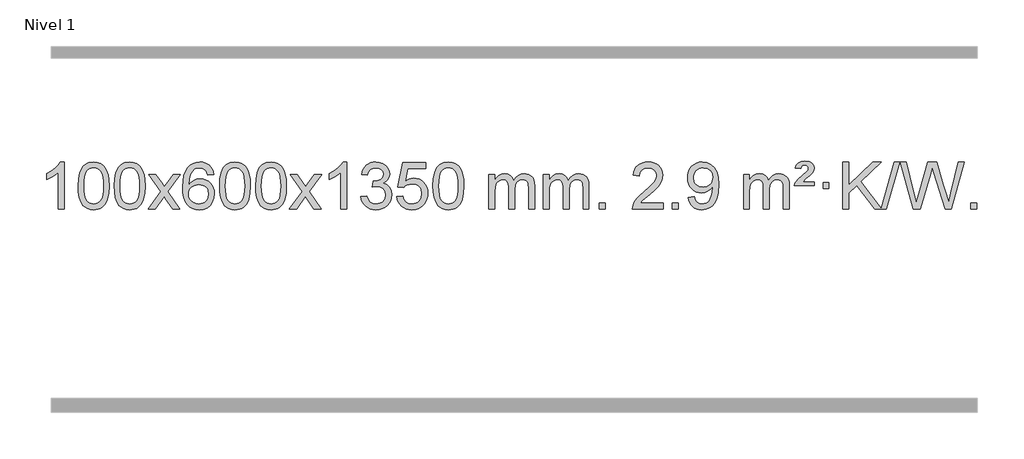
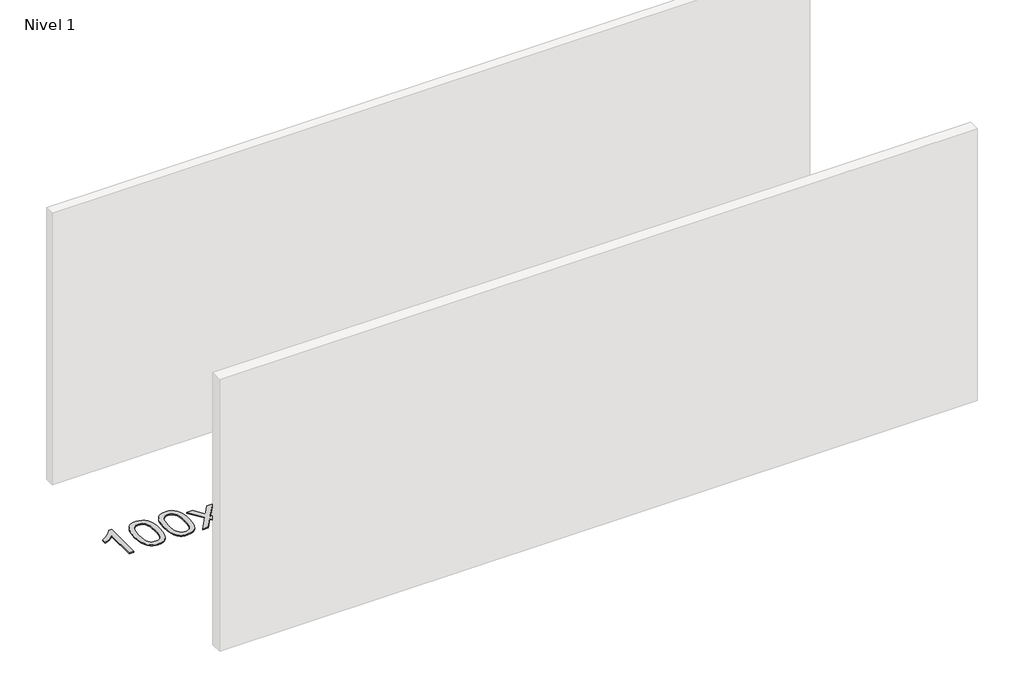
# One storey, part 6 of 10: 1 proxy.
"""IFC4 building model written with IfcOpenShell, lengths in millimetres."""

from ifc_helpers import new_model, si_unit, origin, origin_with_axes, place, context, project, spatial, polyline, outline, extrude, element, save

model = new_model("IFC4")

# Units and contexts
model_context = context("Model", 3, world=origin())
ifc_project = project(units=[si_unit("LENGTHUNIT", "METRE", prefix="MILLI")], contexts=[model_context])

# Site, building, storey
site = spatial("IfcSite", under=ifc_project)
building = spatial("IfcBuilding", under=site)
storey = spatial("IfcBuildingStorey", under=building, Name="Nivel 1", Elevation=0.0)

# Proxy
placement = place(None, origin())
element("IfcBuildingElementProxy", 1, Name="Texto de modelo 1", ObjectType="Texto de modelo 1", at=placement, inside=storey, context=model_context, shape_type="SweptSolid", body=[
    extrude(outline(polyline([(-6421.6378538, -9399.579453), (-6471.8660089, -9399.579453), (-6471.8660089, -9086.4382987), (-6492.8352826, -9103.3976587), (-6519.4454136, -9120.3324932), (-6572.3223191, -9145.6918254), (-6572.3223191, -9098.2105225), (-6532.8731065, -9076.7507395), (-6498.6968691, -9051.219729), (-6471.7556443, -9024.0700378), (-6454.0114694, -8997.7542124), (-6421.6378538, -8997.7542124), (-6421.6378538, -9399.579453)])), origin_with_axes(), (0.0, 0.0, 1.0), 10.0),
    extrude(outline(polyline([(-6302.3459855, -9201.9041943), (-6298.6549029, -9137.5861588), (-6287.5816548, -9086.2911459), (-6269.236606, -9047.2343407), (-6257.378543, -9032.0009605), (-6243.730121, -9019.6309284), (-6228.2453547, -9010.0598651), (-6210.8782588, -9003.2233914), (-6170.4970785, -8997.7542124), (-6139.5459399, -9000.991574), (-6111.832163, -9010.7036586), (-6088.6555973, -9026.5103217), (-6071.3160926, -9048.0314184), (-6058.2194935, -9075.0830078), (-6047.7716449, -9107.4811488), (-6040.9290398, -9148.6226186), (-6038.6481714, -9201.9041943), (-6042.3024659, -9265.8543477), (-6053.2653493, -9317.0267333), (-6071.5000336, -9356.1203266), (-6083.3305054, -9371.3996922), (-6096.9697304, -9383.8341036), (-6112.4728908, -9393.4695462), (-6129.8951689, -9400.3520052), (-6170.4970785, -9405.8579724), (-6198.1618045, -9403.4667394), (-6222.6872709, -9396.2930405), (-6244.0734775, -9384.3368757), (-6262.3204245, -9367.5982449), (-6279.8316074, -9337.3399508), (-6292.3395953, -9299.6381776), (-6299.844388, -9254.4929255), (-6302.3459855, -9201.9041943)]), holes=[polyline([(-6252.1178305, -9201.8060924), (-6250.6463025, -9245.4706195), (-6246.2317185, -9280.8148822), (-6238.8740786, -9307.8388804), (-6228.5733828, -9326.5426142), (-6216.1144459, -9339.2682656), (-6202.2820829, -9348.3580165), (-6187.0762937, -9353.8118671), (-6170.4970785, -9355.6298173), (-6153.9178632, -9353.8057357), (-6138.7120741, -9348.3334911), (-6124.8797111, -9339.2130833), (-6112.4207742, -9326.4445124), (-6102.1200783, -9307.7101217), (-6094.7624384, -9280.6922549), (-6090.3478545, -9245.3909118), (-6088.8763265, -9201.8060924), (-6090.2988035, -9159.2973278), (-6094.5662347, -9124.5753989), (-6101.6786199, -9097.6403055), (-6111.6359592, -9078.4920476), (-6123.8864297, -9065.1440625), (-6137.8782082, -9055.6097875), (-6153.6112949, -9049.8892225), (-6171.0856897, -9047.9823675), (-6187.5790658, -9049.6623619), (-6202.5273375, -9054.7023452), (-6215.9305049, -9063.1023175), (-6227.7885679, -9074.8622786), (-6238.4326203, -9095.708925), (-6246.0355148, -9123.8151094), (-6250.5972516, -9159.1808319), (-6252.1178305, -9201.8060924)])]), origin_with_axes(), (0.0, 0.0, 1.0), 10.0),
    extrude(outline(polyline([(-5994.6985357, -9201.9041943), (-5991.007453, -9137.5861588), (-5979.934205, -9086.2911459), (-5961.5891561, -9047.2343407), (-5949.7310932, -9032.0009605), (-5936.0826711, -9019.6309284), (-5920.5979048, -9010.0598651), (-5903.230809, -9003.2233914), (-5862.8496286, -8997.7542124), (-5831.8984901, -9000.991574), (-5804.1847131, -9010.7036586), (-5781.0081474, -9026.5103217), (-5763.6686427, -9048.0314184), (-5750.5720437, -9075.0830078), (-5740.1241951, -9107.4811488), (-5733.2815899, -9148.6226186), (-5731.0007216, -9201.9041943), (-5734.6550161, -9265.8543477), (-5745.6178995, -9317.0267333), (-5763.8525837, -9356.1203266), (-5775.6830556, -9371.3996922), (-5789.3222805, -9383.8341036), (-5804.825441, -9393.4695462), (-5822.2477191, -9400.3520052), (-5862.8496286, -9405.8579724), (-5890.5143547, -9403.4667394), (-5915.039821, -9396.2930405), (-5936.4260277, -9384.3368757), (-5954.6729746, -9367.5982449), (-5972.1841576, -9337.3399508), (-5984.6921454, -9299.6381776), (-5992.1969381, -9254.4929255), (-5994.6985357, -9201.9041943)]), holes=[polyline([(-5944.4703806, -9201.8060924), (-5942.9988527, -9245.4706195), (-5938.5842687, -9280.8148822), (-5931.2266288, -9307.8388804), (-5920.9259329, -9326.5426142), (-5908.466996, -9339.2682656), (-5894.634633, -9348.3580165), (-5879.4288439, -9353.8118671), (-5862.8496286, -9355.6298173), (-5846.2704134, -9353.8057357), (-5831.0646243, -9348.3334911), (-5817.2322612, -9339.2130833), (-5804.7733243, -9326.4445124), (-5794.4726285, -9307.7101217), (-5787.1149886, -9280.6922549), (-5782.7004046, -9245.3909118), (-5781.2288766, -9201.8060924), (-5782.6513537, -9159.2973278), (-5786.9187848, -9124.5753989), (-5794.0311701, -9097.6403055), (-5803.9885094, -9078.4920476), (-5816.2389799, -9065.1440625), (-5830.2307584, -9055.6097875), (-5845.9638451, -9049.8892225), (-5863.4382398, -9047.9823675), (-5879.931616, -9049.6623619), (-5894.8798877, -9054.7023452), (-5908.283055, -9063.1023175), (-5920.141118, -9074.8622786), (-5930.7851704, -9095.708925), (-5938.388065, -9123.8151094), (-5942.9498017, -9159.1808319), (-5944.4703806, -9201.8060924)])]), origin_with_axes(), (0.0, 0.0, 1.0), 10.0),
    extrude(outline(polyline([(-5705.886644, -9399.579453), (-5598.5632033, -9251.2494325), (-5699.6081246, -9104.4890419), (-5639.1773756, -9104.4890419), (-5590.4207485, -9175.122385), (-5567.6611157, -9208.4770192), (-5547.9426408, -9181.2047007), (-5492.416985, -9104.4890419), (-5431.9862359, -9104.4890419), (-5538.1324542, -9251.2494325), (-5435.9103105, -9399.579453), (-5496.3410596, -9399.579453), (-5557.8509292, -9310.4048574), (-5569.1326437, -9294.1199477), (-5645.455895, -9399.579453), (-5705.886644, -9399.579453)])), origin_with_axes(), (0.0, 0.0, 1.0), 10.0),
    extrude(outline(polyline([(-5147.0984188, -9104.4890419), (-5197.3265739, -9110.7675613), (-5205.4199778, -9085.874213), (-5216.3583358, -9068.8780648), (-5239.142494, -9053.2062918), (-5266.6845927, -9047.9823675), (-5290.0328367, -9051.0235253), (-5312.0076545, -9060.1469988), (-5330.8800009, -9079.3627017), (-5346.2942565, -9105.8134171), (-5356.7053169, -9143.227016), (-5360.5680779, -9195.3313693), (-5340.4204073, -9171.8237098), (-5316.2750857, -9155.2567573), (-5289.4810137, -9145.434308), (-5261.387092, -9142.1601582), (-5237.2540331, -9144.398107), (-5214.9849097, -9151.1119534), (-5194.5797217, -9162.3016975), (-5176.0384691, -9177.9673391), (-5160.6303449, -9197.1769106), (-5149.6245419, -9218.9984443), (-5143.02106, -9243.4319401), (-5140.8198994, -9270.4773982), (-5144.9647033, -9306.4439945), (-5157.3991147, -9339.786366), (-5177.0930642, -9368.0642287), (-5203.0164821, -9388.8372987), (-5233.9921461, -9401.602804), (-5268.8428338, -9405.8579724), (-5298.7853625, -9403.0375437), (-5325.8277548, -9394.5762579), (-5349.9700107, -9380.4741147), (-5371.2121303, -9360.7311143), (-5388.5301752, -9334.5133908), (-5400.9002073, -9300.9870783), (-5408.3222266, -9260.1521768), (-5410.796233, -9212.0086864), (-5408.0493807, -9158.0342663), (-5399.808824, -9111.9693092), (-5386.0745629, -9073.8138149), (-5366.8465973, -9043.5677835), (-5346.0060823, -9023.5243462), (-5321.8423665, -9009.2076052), (-5294.3554501, -9000.6175606), (-5263.545333, -8997.7542124), (-5240.4116869, -8999.5261773), (-5219.47307, -9004.8420722), (-5200.7294824, -9013.7018969), (-5184.1809239, -9026.1056515), (-5170.2749845, -9041.6364031), (-5159.4592539, -9059.8772186), (-5151.733732, -9080.8280983), (-5147.0984188, -9104.4890419)]), holes=[polyline([(-5360.5680779, -9269.6925832), (-5357.6618101, -9291.9494439), (-5348.9430068, -9313.2007605), (-5335.4049494, -9331.472233), (-5318.0409193, -9344.7895612), (-5297.0839083, -9352.9197533), (-5272.7669084, -9355.6298173), (-5239.6207406, -9350.0134855), (-5225.7056041, -9342.9930708), (-5213.5624326, -9333.1644901), (-5203.7123922, -9320.9262824), (-5196.676649, -9306.6769865), (-5191.0480545, -9272.1451299), (-5196.6030726, -9238.9989621), (-5203.5468453, -9225.3781312), (-5213.268127, -9213.725469), (-5225.4480867, -9204.3904634), (-5239.7678934, -9197.7226022), (-5274.8270476, -9192.3883133), (-5307.9241644, -9197.7226022), (-5335.6011532, -9213.725469), (-5346.5241827, -9225.2248471), (-5354.3263467, -9238.3858254), (-5359.0076451, -9253.2084042), (-5360.5680779, -9269.6925832)])]), origin_with_axes(), (0.0, 0.0, 1.0), 10.0),
    extrude(outline(polyline([(-5096.8702638, -9201.9041943), (-5093.1791811, -9137.5861588), (-5082.105933, -9086.2911459), (-5063.7608842, -9047.2343407), (-5051.9028212, -9032.0009605), (-5038.2543992, -9019.6309284), (-5022.7696329, -9010.0598651), (-5005.402537, -9003.2233914), (-4965.0213567, -8997.7542124), (-4934.0702182, -9000.991574), (-4906.3564412, -9010.7036586), (-4883.1798755, -9026.5103217), (-4865.8403708, -9048.0314184), (-4852.7437718, -9075.0830078), (-4842.2959231, -9107.4811488), (-4835.453318, -9148.6226186), (-4833.1724496, -9201.9041943), (-4836.8267441, -9265.8543477), (-4847.7896275, -9317.0267333), (-4866.0243118, -9356.1203266), (-4877.8547836, -9371.3996922), (-4891.4940086, -9383.8341036), (-4906.997169, -9393.4695462), (-4924.4194471, -9400.3520052), (-4965.0213567, -9405.8579724), (-4992.6860827, -9403.4667394), (-5017.2115491, -9396.2930405), (-5038.5977557, -9384.3368757), (-5056.8447027, -9367.5982449), (-5074.3558856, -9337.3399508), (-5086.8638735, -9299.6381776), (-5094.3686662, -9254.4929255), (-5096.8702638, -9201.9041943)]), holes=[polyline([(-5046.6421087, -9201.8060924), (-5045.1705807, -9245.4706195), (-5040.7559968, -9280.8148822), (-5033.3983568, -9307.8388804), (-5023.097661, -9326.5426142), (-5010.6387241, -9339.2682656), (-4996.8063611, -9348.3580165), (-4981.6005719, -9353.8118671), (-4965.0213567, -9355.6298173), (-4948.4421414, -9353.8057357), (-4933.2363523, -9348.3334911), (-4919.4039893, -9339.2130833), (-4906.9450524, -9326.4445124), (-4896.6443565, -9307.7101217), (-4889.2867166, -9280.6922549), (-4884.8721327, -9245.3909118), (-4883.4006047, -9201.8060924), (-4884.8230817, -9159.2973278), (-4889.0905129, -9124.5753989), (-4896.2028981, -9097.6403055), (-4906.1602375, -9078.4920476), (-4918.4107079, -9065.1440625), (-4932.4024864, -9055.6097875), (-4948.1355731, -9049.8892225), (-4965.6099679, -9047.9823675), (-4982.103344, -9049.6623619), (-4997.0516157, -9054.7023452), (-5010.4547831, -9063.1023175), (-5022.3128461, -9074.8622786), (-5032.9568985, -9095.708925), (-5040.559793, -9123.8151094), (-5045.1215298, -9159.1808319), (-5046.6421087, -9201.8060924)])]), origin_with_axes(), (0.0, 0.0, 1.0), 10.0),
    extrude(outline(polyline([(-4789.2228139, -9201.9041943), (-4785.5317312, -9137.5861588), (-4774.4584832, -9086.2911459), (-4756.1134344, -9047.2343407), (-4744.2553714, -9032.0009605), (-4730.6069494, -9019.6309284), (-4715.122183, -9010.0598651), (-4697.7550872, -9003.2233914), (-4657.3739068, -8997.7542124), (-4626.4227683, -9000.991574), (-4598.7089913, -9010.7036586), (-4575.5324257, -9026.5103217), (-4558.1929209, -9048.0314184), (-4545.0963219, -9075.0830078), (-4534.6484733, -9107.4811488), (-4527.8058681, -9148.6226186), (-4525.5249998, -9201.9041943), (-4529.1792943, -9265.8543477), (-4540.1421777, -9317.0267333), (-4558.3768619, -9356.1203266), (-4570.2073338, -9371.3996922), (-4583.8465587, -9383.8341036), (-4599.3497192, -9393.4695462), (-4616.7719973, -9400.3520052), (-4657.3739068, -9405.8579724), (-4685.0386329, -9403.4667394), (-4709.5640992, -9396.2930405), (-4730.9503059, -9384.3368757), (-4749.1972528, -9367.5982449), (-4766.7084358, -9337.3399508), (-4779.2164236, -9299.6381776), (-4786.7212164, -9254.4929255), (-4789.2228139, -9201.9041943)]), holes=[polyline([(-4738.9946588, -9201.8060924), (-4737.5231309, -9245.4706195), (-4733.1085469, -9280.8148822), (-4725.750907, -9307.8388804), (-4715.4502112, -9326.5426142), (-4702.9912742, -9339.2682656), (-4689.1589112, -9348.3580165), (-4673.9531221, -9353.8118671), (-4657.3739068, -9355.6298173), (-4640.7946916, -9353.8057357), (-4625.5889025, -9348.3334911), (-4611.7565394, -9339.2130833), (-4599.2976025, -9326.4445124), (-4588.9969067, -9307.7101217), (-4581.6392668, -9280.6922549), (-4577.2246828, -9245.3909118), (-4575.7531548, -9201.8060924), (-4577.1756319, -9159.2973278), (-4581.443063, -9124.5753989), (-4588.5554483, -9097.6403055), (-4598.5127876, -9078.4920476), (-4610.7632581, -9065.1440625), (-4624.7550366, -9055.6097875), (-4640.4881233, -9049.8892225), (-4657.962518, -9047.9823675), (-4674.4558942, -9049.6623619), (-4689.4041659, -9054.7023452), (-4702.8073333, -9063.1023175), (-4714.6653962, -9074.8622786), (-4725.3094486, -9095.708925), (-4732.9123432, -9123.8151094), (-4737.4740799, -9159.1808319), (-4738.9946588, -9201.8060924)])]), origin_with_axes(), (0.0, 0.0, 1.0), 10.0),
    extrude(outline(polyline([(-4500.4109222, -9399.579453), (-4393.0874815, -9251.2494325), (-4494.1324029, -9104.4890419), (-4433.7016538, -9104.4890419), (-4384.9450267, -9175.122385), (-4362.1853939, -9208.4770192), (-4342.466919, -9181.2047007), (-4286.9412632, -9104.4890419), (-4226.5105141, -9104.4890419), (-4332.6567324, -9251.2494325), (-4230.4345887, -9399.579453), (-4290.8653378, -9399.579453), (-4352.3752074, -9310.4048574), (-4363.6569219, -9294.1199477), (-4439.9801732, -9399.579453), (-4500.4109222, -9399.579453)])), origin_with_axes(), (0.0, 0.0, 1.0), 10.0),
    extrude(outline(polyline([(-4010.6864103, -9399.579453), (-4060.9145653, -9399.579453), (-4060.9145653, -9086.4382987), (-4081.8838391, -9103.3976587), (-4108.49397, -9120.3324932), (-4161.3708755, -9145.6918254), (-4161.3708755, -9098.2105225), (-4121.9216629, -9076.7507395), (-4087.7454255, -9051.219729), (-4060.8042007, -9024.0700378), (-4043.0600258, -8997.7542124), (-4010.6864103, -8997.7542124), (-4010.6864103, -9399.579453)])), origin_with_axes(), (0.0, 0.0, 1.0), 10.0),
    extrude(outline(polyline([(-3891.394542, -9292.8446235), (-3841.1663869, -9286.5661041), (-3829.9214606, -9318.1303793), (-3813.4526099, -9339.4430095), (-3790.9504945, -9351.5831154), (-3761.6057741, -9355.6298173), (-3727.1720193, -9350.0625364), (-3712.8981979, -9343.1034354), (-3700.5864138, -9333.3606939), (-3683.5902656, -9308.4428201), (-3677.9248829, -9278.2274455), (-3683.5412147, -9249.5449126), (-3700.3902101, -9226.2825078), (-3725.8966951, -9210.8682522), (-3757.4854957, -9205.730167), (-3792.7040654, -9211.2238715), (-3787.1122591, -9160.9957164), (-3779.0679061, -9161.5843276), (-3748.9751589, -9157.979084), (-3722.0707223, -9147.1633534), (-3710.9974743, -9138.9841103), (-3703.0880114, -9128.8673555), (-3698.3423336, -9116.8130888), (-3696.760441, -9102.8213102), (-3701.3467032, -9081.1285352), (-3715.1054899, -9063.5315131), (-3736.0992891, -9051.8696539), (-3762.390589, -9047.9823675), (-3788.7309398, -9051.9064421), (-3810.2642993, -9063.6786659), (-3825.9851232, -9083.299039), (-3834.8878675, -9110.7675613), (-3885.1160226, -9104.4890419), (-3879.1624656, -9080.5092672), (-3870.3271664, -9059.3867093), (-3858.6101248, -9041.1213683), (-3844.011341, -9025.713244), (-3826.9906673, -9013.4811677), (-3808.0079564, -9004.7439703), (-3787.0632081, -8999.5016519), (-3764.1564226, -8997.7542124), (-3732.5798846, -9001.2000404), (-3703.5785207, -9011.5375245), (-3679.1266307, -9027.8469596), (-3661.1985148, -9049.2086408), (-3650.1988432, -9073.8199463), (-3646.532286, -9099.8782543), (-3650.0149022, -9124.1584659), (-3660.4627509, -9146.1823347), (-3677.7286792, -9164.9443165), (-3701.6655343, -9179.4388671), (-3670.2238865, -9192.1430586), (-3646.9246934, -9213.77452), (-3632.5037192, -9243.1560286), (-3627.6967278, -9279.1103623), (-3630.1002235, -9304.5923218), (-3637.3107106, -9328.0631931), (-3649.3281891, -9349.5229762), (-3666.152659, -9368.971671), (-3686.6498175, -9385.1094278), (-3709.6853618, -9396.636397), (-3735.2592918, -9403.5525785), (-3763.3716076, -9405.8579724), (-3788.7799908, -9403.8898037), (-3811.932031, -9397.9852977), (-3832.8277283, -9388.1444543), (-3851.4670827, -9374.3672736), (-3867.0959362, -9357.4630959), (-3878.9601305, -9338.2412617), (-3887.0596658, -9316.7017708), (-3891.394542, -9292.8446235)])), origin_with_axes(), (0.0, 0.0, 1.0), 10.0),
    extrude(outline(polyline([(-3583.7470921, -9292.8446235), (-3533.518937, -9286.5661041), (-3524.2973617, -9316.7201649), (-3508.2086558, -9338.3148381), (-3485.3263957, -9351.3010725), (-3455.7241578, -9355.6298173), (-3436.5942941, -9354.1245668), (-3419.7207732, -9349.6088153), (-3405.1035953, -9342.0825628), (-3392.7427602, -9331.5458094), (-3382.9141796, -9318.519721), (-3375.8937648, -9303.5254641), (-3370.2774331, -9267.6324441), (-3375.5381456, -9233.8363514), (-3382.1140362, -9219.9181493), (-3391.3202832, -9207.9865099), (-3403.1875432, -9198.4154467), (-3417.7464732, -9191.5789729), (-3454.9393429, -9186.1097939), (-3479.3053937, -9188.2925604), (-3499.0361314, -9194.8408599), (-3514.7937435, -9204.8717757), (-3527.2404177, -9217.5023908), (-3577.4685727, -9211.2238715), (-3533.518937, -9004.0327318), (-3338.8848361, -9004.0327318), (-3338.8848361, -9054.2608869), (-3492.9047648, -9054.2608869), (-3514.3890733, -9164.919791), (-3496.6632925, -9152.2155994), (-3478.508316, -9143.1411769), (-3459.9241439, -9137.6965234), (-3440.9107761, -9135.8816388), (-3416.4496891, -9138.1318504), (-3393.9812963, -9144.882485), (-3373.5055976, -9156.1335427), (-3355.022593, -9171.8850234), (-3339.7217677, -9191.1743027), (-3328.7926067, -9213.038756), (-3322.2351102, -9237.4783832), (-3320.049278, -9264.4931844), (-3322.0174467, -9290.5147042), (-3327.9219527, -9314.7213394), (-3337.762796, -9337.1130902), (-3351.5399768, -9357.6899565), (-3372.4111486, -9378.7634634), (-3396.7649367, -9393.8159684), (-3424.601341, -9402.8474714), (-3455.9203615, -9405.8579724), (-3481.8407138, -9403.9235262), (-3505.2533371, -9398.1201877), (-3526.1582315, -9388.447957), (-3544.5553969, -9374.9068338), (-3559.8623536, -9358.1712688), (-3571.4966217, -9338.915712), (-3579.4582012, -9317.1401636), (-3583.7470921, -9292.8446235)])), origin_with_axes(), (0.0, 0.0, 1.0), 10.0),
    extrude(outline(polyline([(-3276.0996423, -9201.9041943), (-3272.4085596, -9137.5861588), (-3261.3353115, -9086.2911459), (-3242.9902627, -9047.2343407), (-3231.1321997, -9032.0009605), (-3217.4837777, -9019.6309284), (-3201.9990114, -9010.0598651), (-3184.6319156, -9003.2233914), (-3144.2507352, -8997.7542124), (-3113.2995967, -9000.991574), (-3085.5858197, -9010.7036586), (-3062.409254, -9026.5103217), (-3045.0697493, -9048.0314184), (-3031.9731503, -9075.0830078), (-3021.5253016, -9107.4811488), (-3014.6826965, -9148.6226186), (-3012.4018281, -9201.9041943), (-3016.0561226, -9265.8543477), (-3027.0190061, -9317.0267333), (-3045.2536903, -9356.1203266), (-3057.0841621, -9371.3996922), (-3070.7233871, -9383.8341036), (-3086.2265475, -9393.4695462), (-3103.6488257, -9400.3520052), (-3144.2507352, -9405.8579724), (-3171.9154613, -9403.4667394), (-3196.4409276, -9396.2930405), (-3217.8271343, -9384.3368757), (-3236.0740812, -9367.5982449), (-3253.5852642, -9337.3399508), (-3266.093252, -9299.6381776), (-3273.5980447, -9254.4929255), (-3276.0996423, -9201.9041943)]), holes=[polyline([(-3225.8714872, -9201.8060924), (-3224.3999592, -9245.4706195), (-3219.9853753, -9280.8148822), (-3212.6277354, -9307.8388804), (-3202.3270395, -9326.5426142), (-3189.8681026, -9339.2682656), (-3176.0357396, -9348.3580165), (-3160.8299505, -9353.8118671), (-3144.2507352, -9355.6298173), (-3127.67152, -9353.8057357), (-3112.4657308, -9348.3334911), (-3098.6333678, -9339.2130833), (-3086.1744309, -9326.4445124), (-3075.873735, -9307.7101217), (-3068.5160951, -9280.6922549), (-3064.1015112, -9245.3909118), (-3062.6299832, -9201.8060924), (-3064.0524603, -9159.2973278), (-3068.3198914, -9124.5753989), (-3075.4322767, -9097.6403055), (-3085.389616, -9078.4920476), (-3097.6400864, -9065.1440625), (-3111.631865, -9055.6097875), (-3127.3649516, -9049.8892225), (-3144.8393464, -9047.9823675), (-3161.3327225, -9049.6623619), (-3176.2809943, -9054.7023452), (-3189.6841616, -9063.1023175), (-3201.5422246, -9074.8622786), (-3212.186277, -9095.708925), (-3219.7891716, -9123.8151094), (-3224.3509083, -9159.1808319), (-3225.8714872, -9201.8060924)])]), origin_with_axes(), (0.0, 0.0, 1.0), 10.0),
    extrude(outline(polyline([(-2798.9321691, -9399.579453), (-2798.9321691, -9104.4890419), (-2748.704014, -9104.4890419), (-2748.704014, -9153.0494653), (-2733.5963267, -9130.7435537), (-2714.1721574, -9113.2691589), (-2691.0936936, -9101.9751816), (-2665.0231228, -9098.2105225), (-2637.0886167, -9102.048758), (-2614.6968659, -9113.5634645), (-2597.9704978, -9131.9943524), (-2587.0321399, -9156.5811324), (-2568.7238792, -9131.0439906), (-2547.8404446, -9112.803175), (-2524.3818361, -9101.8586857), (-2498.3480536, -9098.2105225), (-2478.2402368, -9099.7280358), (-2460.5910981, -9104.2805755), (-2445.4006374, -9111.8681416), (-2432.6688547, -9122.4907342), (-2422.6042164, -9136.2709806), (-2415.4151891, -9153.3315082), (-2411.1017727, -9173.6723168), (-2409.6639672, -9197.2934066), (-2409.6639672, -9399.579453), (-2459.8921223, -9399.579453), (-2459.8921223, -9218.875817), (-2461.057082, -9193.8230531), (-2464.5519609, -9176.9372695), (-2471.1002604, -9165.3735121), (-2481.4254818, -9156.2868268), (-2494.7060218, -9150.4007149), (-2510.1202774, -9148.4386776), (-2537.3312823, -9153.4663982), (-2559.5145666, -9168.54956), (-2568.1199396, -9180.1194488), (-2574.2666346, -9194.7182326), (-2579.1839906, -9233.0024856), (-2579.1839906, -9399.579453), (-2629.4121457, -9399.579453), (-2629.4121457, -9213.2840106), (-2632.3184135, -9184.8835206), (-2641.0372167, -9164.6254854), (-2656.3778959, -9152.4853796), (-2679.1497914, -9148.4386776), (-2698.5003844, -9151.1364789), (-2716.3303984, -9159.2298828), (-2731.0456782, -9172.5226856), (-2741.0520685, -9190.8186835), (-2746.7910276, -9216.2025411), (-2748.704014, -9250.7589232), (-2748.704014, -9399.579453), (-2798.9321691, -9399.579453)])), origin_with_axes(), (0.0, 0.0, 1.0), 10.0),
    extrude(outline(polyline([(-2334.3217346, -9399.579453), (-2334.3217346, -9104.4890419), (-2284.0935796, -9104.4890419), (-2284.0935796, -9153.0494653), (-2268.9858923, -9130.7435537), (-2249.5617229, -9113.2691589), (-2226.4832591, -9101.9751816), (-2200.4126884, -9098.2105225), (-2172.4781822, -9102.048758), (-2150.0864315, -9113.5634645), (-2133.3600634, -9131.9943524), (-2122.4217054, -9156.5811324), (-2104.1134448, -9131.0439906), (-2083.2300102, -9112.803175), (-2059.7714016, -9101.8586857), (-2033.7376191, -9098.2105225), (-2013.6298024, -9099.7280358), (-1995.9806637, -9104.2805755), (-1980.790203, -9111.8681416), (-1968.0584202, -9122.4907342), (-1957.993782, -9136.2709806), (-1950.8047547, -9153.3315082), (-1946.4913383, -9173.6723168), (-1945.0535328, -9197.2934066), (-1945.0535328, -9399.579453), (-1995.2816879, -9399.579453), (-1995.2816879, -9218.875817), (-1996.4466475, -9193.8230531), (-1999.9415265, -9176.9372695), (-2006.489826, -9165.3735121), (-2016.8150473, -9156.2868268), (-2030.0955874, -9150.4007149), (-2045.509843, -9148.4386776), (-2072.7208479, -9153.4663982), (-2094.9041322, -9168.54956), (-2103.5095052, -9180.1194488), (-2109.6562002, -9194.7182326), (-2114.5735562, -9233.0024856), (-2114.5735562, -9399.579453), (-2164.8017113, -9399.579453), (-2164.8017113, -9213.2840106), (-2167.707979, -9184.8835206), (-2176.4267823, -9164.6254854), (-2191.7674615, -9152.4853796), (-2214.539357, -9148.4386776), (-2233.88995, -9151.1364789), (-2251.719964, -9159.2298828), (-2266.4352438, -9172.5226856), (-2276.4416341, -9190.8186835), (-2282.1805932, -9216.2025411), (-2284.0935796, -9250.7589232), (-2284.0935796, -9399.579453), (-2334.3217346, -9399.579453)])), origin_with_axes(), (0.0, 0.0, 1.0), 10.0),
    extrude(outline(polyline([(-1857.1542614, -9399.579453), (-1857.1542614, -9349.3512979), (-1806.9261064, -9349.3512979), (-1806.9261064, -9399.579453), (-1857.1542614, -9399.579453)])), origin_with_axes(), (0.0, 0.0, 1.0), 10.0),
    extrude(outline(polyline([(-1310.923075, -9349.3512979), (-1310.923075, -9399.579453), (-1574.6208891, -9399.579453), (-1573.5172431, -9381.8965918), (-1569.2252865, -9364.9494945), (-1556.839926, -9337.8856424), (-1538.7156064, -9311.6311307), (-1512.4978829, -9284.1503456), (-1475.8323107, -9253.4076736), (-1421.6310301, -9205.2641831), (-1389.1102617, -9169.7267824), (-1372.8498775, -9140.884834), (-1367.4297494, -9112.8277005), (-1372.5433092, -9087.6768347), (-1387.8839884, -9066.7688747), (-1411.4652243, -9052.6789943), (-1441.3004541, -9047.9823675), (-1472.6317373, -9052.5686297), (-1496.9732627, -9066.3274163), (-1512.6818239, -9088.1796068), (-1518.1142147, -9117.0460807), (-1568.3423697, -9110.7675613), (-1564.022822, -9084.838012), (-1556.1654757, -9062.1826125), (-1544.7703309, -9042.8013627), (-1529.8373876, -9026.6942627), (-1511.7100023, -9014.0329907), (-1490.7315315, -9004.989225), (-1466.9019753, -8999.5629655), (-1440.2213336, -8997.7542124), (-1413.3015686, -8999.7653006), (-1389.3432536, -9005.7985654), (-1368.3463888, -9015.8540066), (-1350.3109739, -9029.9316242), (-1335.8256204, -9046.9890861), (-1325.4789393, -9065.9840598), (-1319.2709306, -9086.9165453), (-1317.2015944, -9109.7865427), (-1319.4334118, -9133.8092369), (-1326.1288641, -9157.4149983), (-1338.0114526, -9181.4254299), (-1355.8046784, -9206.6621347), (-1384.1683802, -9236.7916701), (-1427.7623967, -9275.4805933), (-1485.5443954, -9323.795762), (-1508.2059263, -9349.3512979), (-1310.923075, -9349.3512979)])), origin_with_axes(), (0.0, 0.0, 1.0), 10.0),
    extrude(outline(polyline([(-1235.5808424, -9399.579453), (-1235.5808424, -9349.3512979), (-1185.3526873, -9349.3512979), (-1185.3526873, -9399.579453), (-1235.5808424, -9399.579453)])), origin_with_axes(), (0.0, 0.0, 1.0), 10.0),
    extrude(outline(polyline([(-1097.4534159, -9299.1231428), (-1047.2252608, -9292.8446235), (-1038.6413476, -9321.3554781), (-1024.6618318, -9340.7673847), (-1005.6300699, -9351.9142092), (-981.8894185, -9355.6298173), (-960.589051, -9353.2385843), (-941.2261953, -9346.0648854), (-925.1374894, -9334.8935355), (-913.6595711, -9320.5093495), (-897.2275087, -9276.8540194), (-891.7828551, -9248.4535294), (-889.9679706, -9218.5815114), (-890.2622762, -9208.7713248), (-907.6630946, -9230.0103787), (-930.4349901, -9246.8348486), (-956.9347565, -9257.7977321), (-985.5191875, -9261.4520265), (-1009.3794006, -9259.2202091), (-1031.3204959, -9252.5247568), (-1051.3424735, -9241.3656696), (-1069.4453334, -9225.7429475), (-1084.4457217, -9206.4720624), (-1095.1602848, -9184.3684858), (-1101.5890227, -9159.4322179), (-1103.7319353, -9131.6632586), (-1101.4847895, -9102.968463), (-1094.7433519, -9077.2167234), (-1083.5076226, -9054.4080397), (-1067.7776016, -9034.5424119), (-1048.6630663, -9018.4475746), (-1027.273794, -9006.9512623), (-1003.6097846, -9000.0534749), (-977.6710383, -8997.7542124), (-940.2083884, -9003.0026622), (-906.1057275, -9018.7480116), (-877.5826101, -9044.2054457), (-856.8585911, -9078.5901495), (-844.2402386, -9126.1205032), (-840.0341212, -9191.0148872), (-844.2279759, -9259.821083), (-856.8095401, -9313.0045568), (-877.6684493, -9352.9688042), (-891.1605214, -9368.8950289), (-906.6943387, -9382.117321), (-923.9572013, -9392.503856), (-942.6364096, -9399.9228095), (-984.2438633, -9405.8579724), (-1006.8011609, -9404.1074672), (-1027.1879548, -9398.8559517), (-1045.404245, -9390.1034259), (-1061.4500313, -9377.8498898), (-1074.9206437, -9362.4264372), (-1085.4114119, -9344.1641618), (-1092.922336, -9323.0630637), (-1097.4534159, -9299.1231428)]), holes=[polyline([(-890.2622762, -9130.4860363), (-895.6824043, -9096.444689), (-902.4575644, -9082.3670713), (-911.9427885, -9070.2514909), (-923.6720928, -9060.5087494), (-937.1794934, -9053.5496483), (-969.5285835, -9047.9823675), (-987.1378683, -9049.4814866), (-1003.0794214, -9053.978844), (-1017.3532428, -9061.4744396), (-1029.9593325, -9071.9682736), (-1040.2600284, -9084.8472091), (-1047.6176683, -9099.4981095), (-1052.0322522, -9115.9209749), (-1053.5037802, -9134.1158053), (-1047.9364994, -9165.1527829), (-1040.9773983, -9178.2708417), (-1031.2346568, -9189.7886139), (-1019.112945, -9199.1665391), (-1005.0169333, -9205.8650571), (-970.9020096, -9211.2238715), (-938.8104369, -9205.8650571), (-912.9728581, -9189.7886139), (-903.0369785, -9178.0439812), (-895.9399217, -9164.2453407), (-890.2622762, -9130.4860363)])]), origin_with_axes(), (0.0, 0.0, 1.0), 10.0),
    extrude(outline(polyline([(-626.5644621, -9399.579453), (-626.5644621, -9104.4890419), (-576.336307, -9104.4890419), (-576.336307, -9153.0494653), (-561.2286197, -9130.7435537), (-541.8044504, -9113.2691589), (-518.7259866, -9101.9751816), (-492.6554158, -9098.2105225), (-464.7209097, -9102.048758), (-442.3291589, -9113.5634645), (-425.6027909, -9131.9943524), (-414.6644329, -9156.5811324), (-396.3561722, -9131.0439906), (-375.4727377, -9112.803175), (-352.0141291, -9101.8586857), (-325.9803466, -9098.2105225), (-305.8725298, -9099.7280358), (-288.2233911, -9104.2805755), (-273.0329304, -9111.8681416), (-260.3011477, -9122.4907342), (-250.2365094, -9136.2709806), (-243.0474821, -9153.3315082), (-238.7340657, -9173.6723168), (-237.2962603, -9197.2934066), (-237.2962603, -9399.579453), (-287.5244153, -9399.579453), (-287.5244153, -9218.875817), (-288.689375, -9193.8230531), (-292.1842539, -9176.9372695), (-298.7325535, -9165.3735121), (-309.0577748, -9156.2868268), (-322.3383148, -9150.4007149), (-337.7525704, -9148.4386776), (-364.9635753, -9153.4663982), (-387.1468596, -9168.54956), (-395.7522326, -9180.1194488), (-401.8989276, -9194.7182326), (-406.8162836, -9233.0024856), (-406.8162836, -9399.579453), (-457.0444387, -9399.579453), (-457.0444387, -9213.2840106), (-459.9507065, -9184.8835206), (-468.6695098, -9164.6254854), (-484.010189, -9152.4853796), (-506.7820845, -9148.4386776), (-526.1326774, -9151.1364789), (-543.9626914, -9159.2298828), (-558.6779713, -9172.5226856), (-568.6843615, -9190.8186835), (-574.4233206, -9216.2025411), (-576.336307, -9250.7589232), (-576.336307, -9399.579453), (-626.5644621, -9399.579453)])), origin_with_axes(), (0.0, 0.0, 1.0), 10.0),
    extrude(outline(polyline([(-193.3466246, -9198.6668327), (-189.5206518, -9182.8479069), (-181.1819933, -9166.9799302), (-159.6731593, -9141.8413272), (-127.7164766, -9114.1030247), (-83.5706372, -9076.726214), (-76.4337265, -9065.1992448), (-74.0547563, -9053.3779701), (-75.9432172, -9041.2869152), (-81.6085999, -9031.5012541), (-90.977328, -9025.026531), (-103.9758252, -9022.8682899), (-116.4102366, -9024.4869707), (-125.26393, -9029.343013), (-131.6896022, -9038.8098431), (-136.8399501, -9054.2608869), (-187.0681052, -9047.9823675), (-176.2278491, -9022.7701881), (-159.5995829, -9005.2099542), (-135.834406, -8994.9092583), (-103.5834178, -8991.475693), (-67.8007624, -8995.6082341), (-43.0545668, -9008.0058573), (-28.6335926, -9026.3386434), (-23.8266012, -9048.2766731), (-27.9223541, -9071.1834586), (-40.2096127, -9092.8149199), (-60.737428, -9112.6314968), (-97.2067965, -9140.6886303), (-122.8113834, -9167.2742358), (-23.8266012, -9167.2742358), (-23.8266012, -9198.6668327), (-193.3466246, -9198.6668327)])), origin_with_axes(), (0.0, 0.0, 1.0), 10.0),
    extrude(outline(polyline([(51.5156314, -9223.7809102), (51.5156314, -9173.5527552), (101.7437865, -9173.5527552), (101.7437865, -9223.7809102), (51.5156314, -9223.7809102)])), origin_with_axes(), (0.0, 0.0, 1.0), 10.0),
    extrude(outline(polyline([(492.3854144, -9399.579453), (338.954097, -9196.9009991), (271.2638099, -9261.4520265), (271.2638099, -9399.579453), (221.0356548, -9399.579453), (221.0356548, -8997.7542124), (271.2638099, -8997.7542124), (271.2638099, -9194.4484525), (477.2777272, -8997.7542124), (547.5186628, -8997.7542124), (374.5650741, -9162.9577537), (549.218684, -9393.5349332), (660.5320117, -8997.7542124), (705.8550735, -8997.7542124), (592.8417246, -9399.579453), (553.7971822, -9399.579453), (547.5186628, -9399.579453), (492.3854144, -9399.579453)])), origin_with_axes(), (0.0, 0.0, 1.0), 10.0),
    extrude(outline(polyline([(820.3399504, -9399.579453), (710.7601668, -8997.7542124), (762.5579517, -8997.7542124), (826.1279605, -9261.844434), (845.7483335, -9343.3670841), (866.7421327, -9271.2622131), (946.4008474, -8997.7542124), (1021.056367, -8997.7542124), (1078.9364675, -9196.0180823), (1103.731714, -9269.5944814), (1122.0031864, -9343.3670841), (1141.0349483, -9264.1988788), (1205.1935683, -8997.7542124), (1256.9913532, -8997.7542124), (1147.3134677, -9399.579453), (1093.6517474, -9399.579453), (997.3157155, -9089.5775584), (983.87576, -9046.3146358), (968.7680727, -9098.4067263), (880.9669032, -9399.579453), (820.3399504, -9399.579453)])), origin_with_axes(), (0.0, 0.0, 1.0), 10.0),
    extrude(outline(polyline([(1313.4980277, -9399.579453), (1313.4980277, -9349.3512979), (1363.7261827, -9349.3512979), (1363.7261827, -9399.579453), (1313.4980277, -9399.579453)])), origin_with_axes(), (0.0, 0.0, 1.0), 10.0),
])

save(model, "model.ifc")
